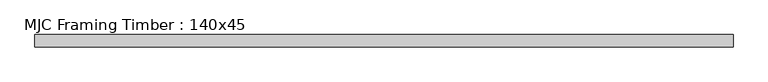
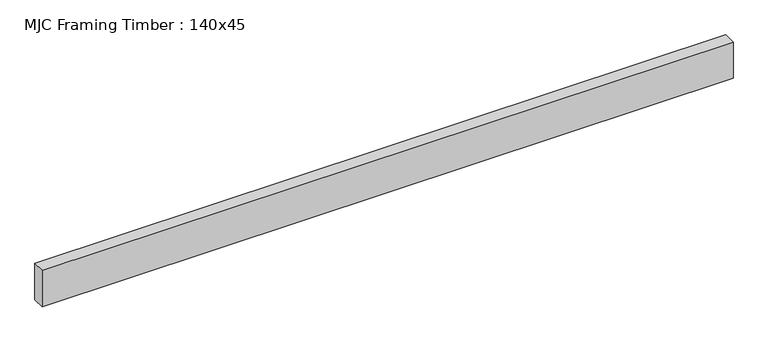
"""IFC4 building model written with IfcOpenShell, lengths in millimetres: beam geometry, MJC Framing Timber : 140x45."""

from ifc_helpers import new_model, si_unit, frame, origin, place, context, project, spatial, polyline, outline, extrude, source, transform, mapped, element, save


def mjc_framing_timber_140x45_0b55300b(model_context):
    return source(origin(), model_context, "Body", "SweptSolid", [
        extrude(outline(polyline([(1257.3, 22.5), (1257.3, -22.5), (-1257.3, -22.5), (-1257.3, 22.5), (1257.3, 22.5)])), frame((0.0, 0.0, -70.0), z_axis=(0.0, 0.0, 1.0), x_axis=(1.0, 0.0, 0.0)), (0.0, 0.0, 1.0), 140.0),
    ])


if __name__ == "__main__":
    model = new_model("IFC4")
    model_context = context("Model", 3, world=origin())
    ifc_project = project(units=[si_unit("LENGTHUNIT", "METRE", prefix="MILLI")], contexts=[model_context])
    site = spatial("IfcSite", under=ifc_project)
    building = spatial("IfcBuilding", under=site)
    placement = place(None, origin())
    mjc_framing_timber_140x45_shape = mjc_framing_timber_140x45_0b55300b(model_context)
    element("IfcBeam", 1, ObjectType="MJC Framing Timber : 140x45", at=placement, inside=building, context=model_context, shape_type="MappedRepresentation", body=[
        mapped(mjc_framing_timber_140x45_shape, transform((0.0, 0.0, 0.0), x_axis=(1.0, 0.0, 0.0), y_axis=(0.0, 1.0, 0.0), z_axis=(0.0, 0.0, 1.0))),
    ])
    save(model, "model.ifc")
